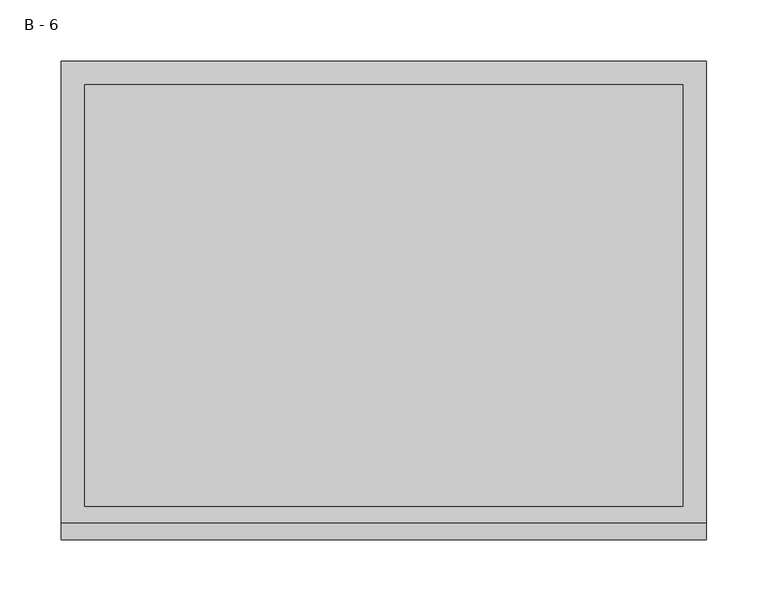
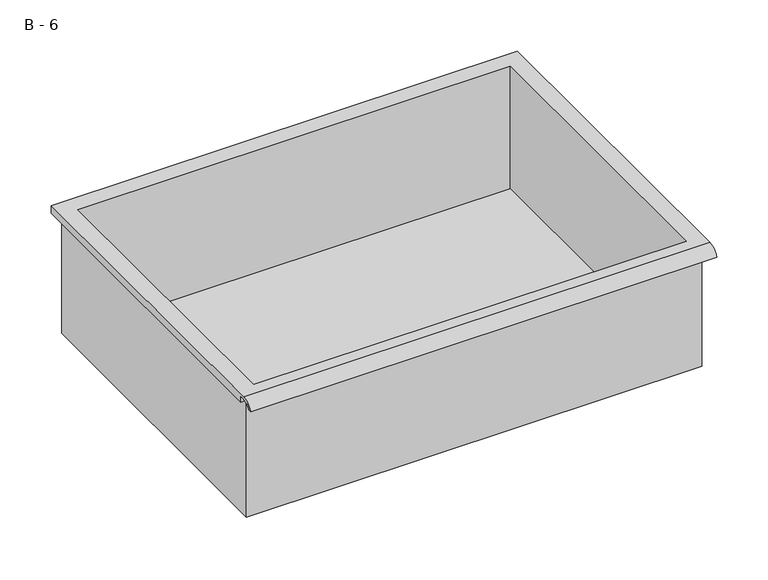
"""IFC4 building model written with IfcOpenShell, lengths in millimetres: furniture geometry, B - 6."""

from ifc_helpers import new_model, si_unit, frame, origin, place, context, project, spatial, polyline, circle_curve, source, transform, mapped, element, save
from ifc_brep_helpers import plane_surface, cylinder_surface, revolved_surface, advanced_brep


def b_6_b3e5dc9f(model_context):
    return source(origin(), model_context, "Body", "AdvancedBrep", [
        advanced_brep(
        [(-257.1076517, -176.2125, 513.54482), (257.2423483, -176.2125, 513.54482), (257.2423483, -176.2125, 653.24482), (263.5923483, -176.2125, 653.24482), (263.5923483, -176.2125, 659.5519541), (-263.4576517, -176.2125, 659.5519541), (-263.4576517, -176.2125, 653.24482), (-257.1076517, -176.2125, 653.24482), (257.2423483, 185.7375, 513.54482), (-257.1076517, 185.7375, 513.54482), (-257.1076517, 185.7375, 653.24482), (257.2423483, 185.7375, 653.24482), (263.5923483, -181.6070544, 662.76982), (263.5923483, 195.2625, 662.76982), (-263.4576517, 195.2625, 662.76982), (-263.4576517, -181.6070544, 662.76982), (244.5423483, -168.275, 662.76982), (-244.4076517, -168.275, 662.76982), (-244.4076517, 176.2125, 662.76982), (244.5423483, 176.2125, 662.76982), (263.5923483, -195.2625, 653.24482), (263.5923483, -191.8280601, 653.24482), (263.5923483, -180.4714815, 659.5519541), (263.5923483, 195.2625, 653.24482), (-263.4576517, 195.2625, 653.24482), (-263.4576517, -180.4714815, 659.5519541), (-263.4576517, -191.8280601, 653.24482), (-263.4576517, -195.2625, 653.24482), (-244.4076517, -168.275, 516.5709919), (244.5423483, -168.275, 516.5709919), (244.5423483, 176.2125, 516.5709919), (-244.4076517, 176.2125, 516.5709919)],
        [
            (0, 1),
            (1, 2),
            (2, 3),
            (3, 4),
            (4, 5),
            (5, 6),
            (6, 7),
            (7, 0),
            (8, 9),
            (9, 10),
            (10, 11),
            (11, 8),
            (0, 9),
            (8, 1),
            (11, 2),
            (12, 13),
            (13, 14),
            (14, 15),
            (15, 12),
            (16, 17),
            (17, 18),
            (18, 19),
            (19, 16),
            (7, 10),
            (12, 20, circle_curve(frame((263.5923483, -181.6070544, 648.2188059), z_axis=(1.0, 0.0, 0.0), x_axis=(0.0, 1.0, 0.0)), 14.5510141)),
            (20, 21),
            (21, 22, circle_curve(frame((263.5923483, -181.6070544, 648.2188059), z_axis=(-1.0, 0.0, 0.0), x_axis=(0.0, 1.0, 0.0)), 11.3898979)),
            (22, 4),
            (3, 23),
            (23, 13),
            (14, 24),
            (24, 6),
            (5, 25),
            (25, 26, circle_curve(frame((-263.4576517, -181.6070544, 648.2188059), z_axis=(1.0, 0.0, 0.0), x_axis=(0.0, 1.0, 0.0)), 11.3898979)),
            (26, 27),
            (27, 15, circle_curve(frame((-263.4576517, -181.6070544, 648.2188059), z_axis=(-1.0, 0.0, 0.0), x_axis=(0.0, 1.0, 0.0)), 14.5510141)),
            (27, 20),
            (26, 21),
            (25, 22),
            (24, 23),
            (28, 29),
            (29, 30),
            (30, 31),
            (31, 28),
            (28, 17),
            (16, 29),
            (19, 30),
            (18, 31),
        ],
        [
            plane_surface(frame((257.2423483, -176.2125, 513.54482), z_axis=(0.0, -1.0, 0.0), x_axis=(1.0, 0.0, 0.0))),
            plane_surface(frame((257.2423483, 185.7375, 513.54482), z_axis=(0.0, 1.0, 0.0), x_axis=(-1.0, 0.0, 0.0))),
            plane_surface(frame((-257.1076517, -176.2125, 513.54482), z_axis=(0.0, 0.0, -1.0), x_axis=(0.0, 1.0, 0.0))),
            plane_surface(frame((257.2423483, -176.2125, 513.54482), z_axis=(1.0, 0.0, 0.0), x_axis=(0.0, 1.0, 0.0))),
            plane_surface(frame((257.2423483, -176.2125, 662.76982), z_axis=(0.0, 0.0, 1.0), x_axis=(0.0, 1.0, 0.0))),
            plane_surface(frame((-257.1076517, -176.2125, 662.76982), z_axis=(-1.0, 0.0, 0.0), x_axis=(0.0, 1.0, 0.0))),
            plane_surface(frame((263.5923483, 195.2625, 662.76982), z_axis=(1.0, 0.0, 0.0), x_axis=(0.0, -1.0, 0.0))),
            plane_surface(frame((-263.4576517, 195.2625, 662.76982), z_axis=(-1.0, 0.0, 0.0), x_axis=(0.0, 1.0, 0.0))),
            cylinder_surface(frame((-263.4576517, -181.6070544, 648.2188059), z_axis=(1.0, 0.0, 0.0), x_axis=(0.0, 1.0, 0.0)), 14.5510141),
            plane_surface(frame((263.5923483, -195.2625, 653.24482), z_axis=(0.0, -7.370057395037639e-12, -1.0), x_axis=(-1.0, 0.0, 0.0))),
            revolved_surface(polyline([(-263.4576517, -170.21715650000002, 648.2188059), (263.59234829999997, -170.21715650000002, 648.2188059)]), (-263.4576517, -181.6070544, 648.2188059), (-1.0, 0.0, 0.0)),
            plane_surface(frame((263.5923483, -180.4714815, 659.5519541), z_axis=(0.0, -1.817922895215314e-11, -1.0), x_axis=(-1.0, 0.0, 0.0))),
            plane_surface(frame((263.5923483, -176.2125, 653.24482), z_axis=(0.0, 0.0, -1.0), x_axis=(-1.0, 0.0, 0.0))),
            plane_surface(frame((263.5923483, 195.2625, 653.24482), z_axis=(0.0, 1.0, 0.0), x_axis=(-1.0, 0.0, 0.0))),
            plane_surface(frame((244.5423483, -168.275, 516.5709919), z_axis=(0.0, 0.0, 1.0), x_axis=(-1.0, 0.0, 0.0))),
            plane_surface(frame((-244.4076517, -168.275, 662.76982), z_axis=(0.0, 1.0, 0.0), x_axis=(0.0, 0.0, -1.0))),
            plane_surface(frame((244.5423483, -168.275, 662.76982), z_axis=(-1.0, 0.0, 0.0), x_axis=(0.0, 0.0, -1.0))),
            plane_surface(frame((244.5423483, 176.2125, 662.76982), z_axis=(0.0, -1.0, 0.0), x_axis=(0.0, 0.0, -1.0))),
            plane_surface(frame((-244.4076517, 176.2125, 662.76982), z_axis=(1.0, 0.0, 0.0), x_axis=(0.0, 0.0, -1.0))),
        ],
        [
            (0, [[1, 2, 3, 4, 5, 6, 7, 8]]),
            (1, [[9, 10, 11, 12]]),
            (2, [[-1, 13, -9, 14]]),
            (3, [[-14, -12, 15, -2]]),
            (4, [[16, 17, 18, 19], [20, 21, 22, 23]]),
            (5, [[-13, -8, 24, -10]]),
            (6, [[-16, 25, 26, 27, 28, -4, 29, 30]]),
            (7, [[31, 32, -6, 33, 34, 35, 36, -18]]),
            (8, [[-25, -19, -36, 37]]),
            (9, [[-26, -37, -35, 38]]),
            (10, [[-27, -38, -34, 39]]),
            (11, [[-28, -39, -33, -5]]),
            (12, [[-29, -3, -15, -11, -24, -7, -32, 40]]),
            (13, [[-30, -40, -31, -17]]),
            (14, [[41, 42, 43, 44]]),
            (15, [[-41, 45, -20, 46]]),
            (16, [[-42, -46, -23, 47]]),
            (17, [[-43, -47, -22, 48]]),
            (18, [[-44, -48, -21, -45]]),
        ],
    ),
    ])


if __name__ == "__main__":
    model = new_model("IFC4")
    model_context = context("Model", 3, world=origin())
    ifc_project = project(units=[si_unit("LENGTHUNIT", "METRE", prefix="MILLI")], contexts=[model_context])
    site = spatial("IfcSite", under=ifc_project)
    building = spatial("IfcBuilding", under=site)
    placement = place(None, origin())
    b_6_shape = b_6_b3e5dc9f(model_context)
    element("IfcFurniture", 1, ObjectType="B - 6", at=placement, inside=building, context=model_context, shape_type="MappedRepresentation", body=[
        mapped(b_6_shape, transform((0.0, 0.0, 0.0), x_axis=(1.0, 0.0, 0.0), y_axis=(0.0, 1.0, 0.0), z_axis=(0.0, 0.0, 1.0))),
    ])
    save(model, "model.ifc")
